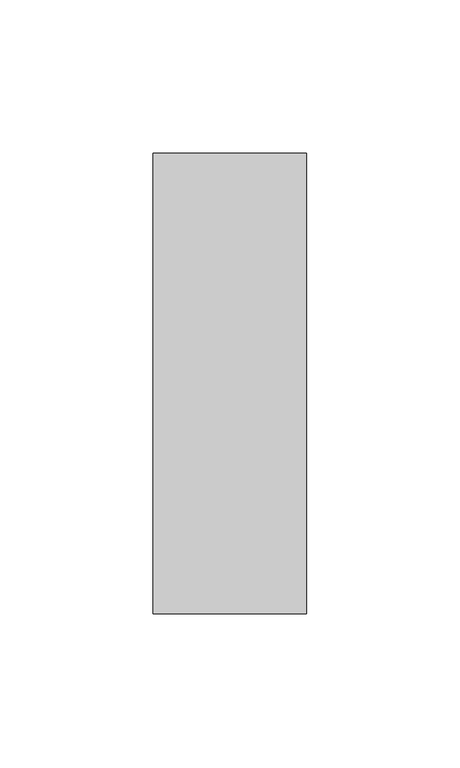
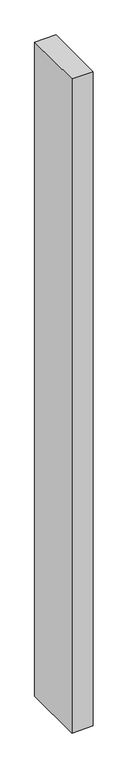
"""IFC4 building model written with IfcOpenShell, lengths in millimetres: member geometry."""

import ifcopenshell
import ifcopenshell.guid

model = None  # the IFC model being written
_history = None  # IfcOwnerHistory: only IFC2X3 demands one
_inside = {}  # id of a spatial element -> (the spatial element, [elements in it])
_under = {}  # id of a project, library or spatial element -> (it, [spatial elements below it])
_declared = {}  # id of a project -> (the project, [libraries it declares])
_typed = {}  # id of a type object -> (the type object, [elements of that type])
_made_of = {}  # id of a material, layer set ... -> (it, [elements and type objects made of it])


def new_model(schema):
    """Start an empty IFC model of exactly this schema.

    Asked for "IFC4X3", IfcOpenShell would pick the latest addendum, in which some entities
    have other attributes; the version numbers below select the first issue.
    IFC2X3 requires an IfcOwnerHistory on every rooted entity: one is made here for all.
    """
    global model, _history
    if schema == "IFC4X3":
        model = ifcopenshell.file(schema_version=(4, 3, 0, 0))
    else:
        model = ifcopenshell.file(schema=schema)
    _inside.clear()
    _under.clear()
    _declared.clear()
    _typed.clear()
    _made_of.clear()
    _history = None
    if model.schema == "IFC2X3":
        org = make("IfcOrganization", Name="unknown")
        user = make(
            "IfcPersonAndOrganization",
            ThePerson=make("IfcPerson", FamilyName="unknown"),
            TheOrganization=org,
        )
        app = make(
            "IfcApplication",
            ApplicationDeveloper=org,
            Version="unknown",
            ApplicationFullName="unknown",
            ApplicationIdentifier="unknown",
        )
        _history = make(
            "IfcOwnerHistory",
            OwningUser=user,
            OwningApplication=app,
            ChangeAction="ADDED",
            CreationDate=0,
        )
    return model


def make(cls, **values):
    """One entity of the class cls with the attributes given. An attribute that is None is left unset."""
    return model.create_entity(
        cls, **{name: value for name, value in values.items() if value is not None}
    )


def rooted(cls, **values):
    """An entity with a GlobalId (a new one), such as an element, a storey or a relation."""
    return make(cls, GlobalId=ifcopenshell.guid.new(), OwnerHistory=_history, **values)


def si_unit(unit_type, name, prefix=None):
    """IfcSIUnit, for example si_unit("LENGTHUNIT", "METRE", prefix="MILLI")."""
    return make("IfcSIUnit", UnitType=unit_type, Prefix=prefix, Name=name)


def assignment(units):
    """IfcUnitAssignment: the units of a project."""
    return None if units is None else make("IfcUnitAssignment", Units=units)


def point(xyz):
    """IfcCartesianPoint."""
    return None if xyz is None else make("IfcCartesianPoint", Coordinates=xyz)


def direction(xyz):
    """IfcDirection."""
    return None if xyz is None else make("IfcDirection", DirectionRatios=xyz)


def frame(location, z_axis=None, x_axis=None):
    """IfcAxis2Placement3D, a coordinate frame: its origin and axes. An axis left out is left unset."""
    return make(
        "IfcAxis2Placement3D",
        Location=point(location),
        Axis=direction(z_axis),
        RefDirection=direction(x_axis),
    )


def origin():
    """The frame at (0, 0, 0) with its axes left unset."""
    return frame((0.0, 0.0, 0.0))


def place(relative_to, where):
    """IfcLocalPlacement: puts the frame where relative to a parent placement (None: the world)."""
    return make(
        "IfcLocalPlacement", PlacementRelTo=relative_to, RelativePlacement=where
    )


def context(
    kind, dimensions, precision=None, world=None, true_north=None, identifier=None
):
    """IfcGeometricRepresentationContext, for example the 3D "Model" context."""
    return make(
        "IfcGeometricRepresentationContext",
        ContextIdentifier=identifier,
        ContextType=kind,
        CoordinateSpaceDimension=dimensions,
        Precision=precision,
        WorldCoordinateSystem=world,
        TrueNorth=true_north,
    )


def project(units=None, contexts=None):
    """IfcProject with its units and contexts."""
    return rooted(
        "IfcProject",
        Name="project",
        RepresentationContexts=contexts,
        UnitsInContext=assignment(units),
    )


def spatial(cls, under=None, at=None, **own):
    """A site, building, storey or space (cls), placed at a placement, below another one or the project."""
    s = rooted(cls, ObjectPlacement=at, **own)
    if under is not None:
        _under.setdefault(under.id(), (under, []))[1].append(s)
    return s


def polyline(points):
    """IfcPolyline through the points."""
    return make("IfcPolyline", Points=[point(p) for p in points])


def outline(outer, holes=None, kind="AREA"):
    """IfcArbitraryClosedProfileDef: a profile drawn as a closed curve; with holes, ...WithVoids."""
    if holes is None:
        return make("IfcArbitraryClosedProfileDef", ProfileType=kind, OuterCurve=outer)
    return make(
        "IfcArbitraryProfileDefWithVoids",
        ProfileType=kind,
        OuterCurve=outer,
        InnerCurves=holes,
    )


def extrude(swept, where, along, depth):
    """IfcExtrudedAreaSolid: the profile swept, set in the frame where, extruded along a direction by depth."""
    return make(
        "IfcExtrudedAreaSolid",
        SweptArea=swept,
        Position=where,
        ExtrudedDirection=direction(along),
        Depth=depth,
    )


def shape(context_of_items, identifier, shape_type, items):
    """IfcShapeRepresentation: the items that make up one representation, for example the "Body"."""
    return make(
        "IfcShapeRepresentation",
        ContextOfItems=context_of_items,
        RepresentationIdentifier=identifier,
        RepresentationType=shape_type,
        Items=items,
    )


def source(mapping_origin, context_of_items, identifier, shape_type, items):
    """IfcRepresentationMap: a shape defined once, which mapped items show again and again."""
    return make(
        "IfcRepresentationMap",
        MappingOrigin=mapping_origin,
        MappedRepresentation=shape(context_of_items, identifier, shape_type, items),
    )


def transform(
    local_origin,
    x_axis=None,
    y_axis=None,
    z_axis=None,
    scale=None,
    scale2=None,
    scale3=None,
    uniform=True,
):
    """IfcCartesianTransformationOperator3D, or its non-uniform kind. x_axis, y_axis, z_axis: its Axis1, 2, 3."""
    if uniform:
        return make(
            "IfcCartesianTransformationOperator3D",
            Axis1=direction(x_axis),
            Axis2=direction(y_axis),
            LocalOrigin=point(local_origin),
            Scale=scale,
            Axis3=direction(z_axis),
        )
    return make(
        "IfcCartesianTransformationOperator3DnonUniform",
        Axis1=direction(x_axis),
        Axis2=direction(y_axis),
        LocalOrigin=point(local_origin),
        Scale=scale,
        Axis3=direction(z_axis),
        Scale2=scale2,
        Scale3=scale3,
    )


def mapped(mapping_source, mapping_target):
    """IfcMappedItem: shows the shape of a source again, moved by a transform."""
    return make(
        "IfcMappedItem", MappingSource=mapping_source, MappingTarget=mapping_target
    )


def made_of(thing, what):
    """Note that an element or type object is made of a material, layer set ...; save() writes the relation."""
    if what is not None:
        _made_of.setdefault(what.id(), (what, []))[1].append(thing)
    return thing


def element(
    cls,
    number,
    at=None,
    inside=None,
    cuts=None,
    type_object=None,
    material=None,
    context=None,
    identifier="Body",
    shape_type=None,
    held_by="IfcProductDefinitionShape",
    body=None,
    shapes=None,
    **own,
):
    """One element of the class cls, such as IfcWall. Its Tag is "e" and its number.

    at: its placement. inside: the storey or other place that contains it. cuts: it is an
    opening in that element (IfcRelVoidsElement). A single representation is given by context,
    identifier, shape_type and body (its items); several are given by shapes. held_by: the class
    of the entity that holds the representations. save() writes the other relations.
    """
    e = rooted(cls, Tag="e%d" % number, ObjectPlacement=at, **own)
    if body is not None:
        shapes = [shape(context, identifier, shape_type, body)]
    if shapes is not None:
        e.Representation = make(held_by, Representations=shapes)
    if inside is not None:
        _inside.setdefault(inside.id(), (inside, []))[1].append(e)
    if cuts is not None:
        rooted(
            "IfcRelVoidsElement", RelatingBuildingElement=cuts, RelatedOpeningElement=e
        )
    if type_object is not None:
        _typed.setdefault(type_object.id(), (type_object, []))[1].append(e)
    return made_of(e, material)


def aggregate(whole, parts):
    """IfcRelAggregates: a whole, such as a stair, and the parts it consists of."""
    return rooted("IfcRelAggregates", RelatingObject=whole, RelatedObjects=parts)


def save(model, path):
    """Write the relations noted so far, then the file.

    IfcRelAggregates (storeys below a building ...), IfcRelContainedInSpatialStructure (elements
    in a storey), IfcRelDefinesByType, IfcRelAssociatesMaterial and IfcRelDeclares: one each for
    every whole, place, type object, material and project.
    """
    for whole, parts in _under.values():
        aggregate(whole, parts)
    for where, things in _inside.values():
        rooted(
            "IfcRelContainedInSpatialStructure",
            RelatedElements=things,
            RelatingStructure=where,
        )
    for kind, things in _typed.values():
        rooted("IfcRelDefinesByType", RelatedObjects=things, RelatingType=kind)
    for what, things in _made_of.values():
        rooted("IfcRelAssociatesMaterial", RelatedObjects=things, RelatingMaterial=what)
    for by, libraries in _declared.values():
        rooted("IfcRelDeclares", RelatingContext=by, RelatedDefinitions=libraries)
    model.write(path)


def member_bd199250(model_context):
    return source(origin(), model_context, "Body", "SweptSolid", [
        extrude(outline(polyline([(0.0, 75.0), (0.0, -75.0), (-50.0, -75.0), (-50.0, 75.0), (0.0, 75.0)])), frame((0.0, 0.0, -1613.6336859), z_axis=(0.0, 0.0, 1.0), x_axis=(1.0, 0.0, 0.0)), (0.0, 0.0, 1.0), 1613.6336859),
    ])


if __name__ == "__main__":
    model = new_model("IFC4")
    model_context = context("Model", 3, world=origin())
    ifc_project = project(units=[si_unit("LENGTHUNIT", "METRE", prefix="MILLI")], contexts=[model_context])
    site = spatial("IfcSite", under=ifc_project)
    building = spatial("IfcBuilding", under=site)
    placement = place(None, origin())
    member_shape = member_bd199250(model_context)
    element("IfcMember", 1, at=placement, inside=building, context=model_context, shape_type="MappedRepresentation", body=[
        mapped(member_shape, transform((0.0, 0.0, 0.0), x_axis=(1.0, 0.0, 0.0), y_axis=(0.0, 1.0, 0.0), z_axis=(0.0, 0.0, 1.0))),
    ])
    save(model, "model.ifc")
